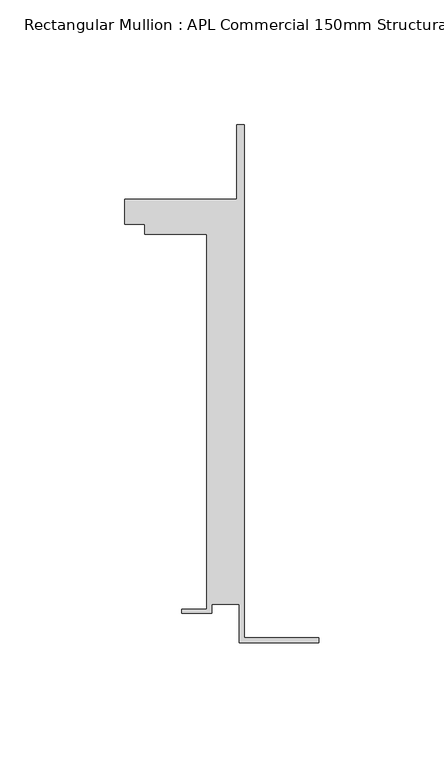
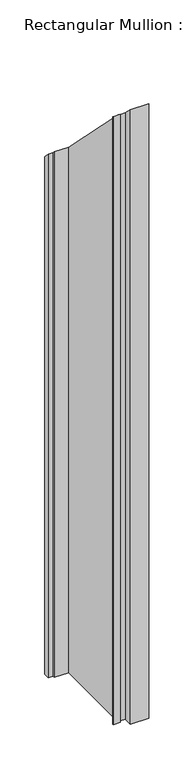
"""IFC4 building model written with IfcOpenShell, lengths in millimetres: member geometry, Rectangular Mullion : APL Commercial 150mm Structural Glaze SubSill."""

from ifc_helpers import new_model, si_unit, origin, place, context, project, spatial, faceted_brep, source, transform, mapped, element, save


def rectangular_mullion_apl_commercial_150mm_structural_glaze_ae94d605(model_context):
    return source(origin(), model_context, "Body", "Brep", [
        faceted_brep([(-32.0, -41.25, -1088.6118488), (-32.0, -25.75, -1088.6118488), (-43.0, -25.75, -1088.6118488), (-43.0, -29.25, -1088.6118488), (-55.0, -29.25, -1088.6118488), (-55.0, -27.75, -1088.6118488), (-45.0, -27.75, -1088.6118488), (-45.0, 122.75, -1088.6118488), (-70.0000284, 122.75, -1088.6118488), (-70.0000284, 126.75, -1088.6118488), (-78.0000284, 126.75, -1088.6118488), (-78.0000284, 136.75, -1088.6118488), (-33.0000284, 136.75, -1088.6118488), (-33.0000284, 166.75, -1088.6118488), (-30.0, 166.75, -1088.6118488), (-30.0, -39.25, -1088.6118488), (0.0, -39.25, -1088.6118488), (0.0, -41.25, -1088.6118488), (0.0, -41.25, 41.25), (-32.0, -41.25, 41.25), (0.0, -39.25, 39.25), (-30.0, -39.25, 39.25), (-30.0, 166.75, -166.75), (-33.0000284, 166.75, -166.75), (-33.0000284, 136.75, -136.75), (-78.0000284, 136.75, -136.75), (-78.0000284, 126.75, -126.75), (-70.0000284, 126.75, -126.75), (-70.0000284, 122.75, -122.75), (-45.0, 122.75, -122.75), (-45.0, -27.75, 27.75), (-55.0, -27.75, 27.75), (-55.0, -29.25, 29.25), (-43.0, -29.25, 29.25), (-43.0, -25.75, 25.75), (-32.0, -25.75, 25.75)], [[[0, 1, 2, 3, 4, 5, 6, 7, 8, 9, 10, 11, 12, 13, 14, 15, 16, 17]], [[18, 19, 0, 17]], [[20, 18, 17, 16]], [[21, 20, 16, 15]], [[22, 21, 15, 14]], [[23, 22, 14, 13]], [[24, 23, 13, 12]], [[25, 24, 12, 11]], [[26, 25, 11, 10]], [[27, 26, 10, 9]], [[28, 27, 9, 8]], [[29, 28, 8, 7]], [[30, 29, 7, 6]], [[31, 30, 6, 5]], [[32, 31, 5, 4]], [[33, 32, 4, 3]], [[34, 33, 3, 2]], [[35, 34, 2, 1]], [[19, 35, 1, 0]], [[19, 18, 20, 21, 22, 23, 24, 25, 26, 27, 28, 29, 30, 31, 32, 33, 34, 35]]]),
    ])


if __name__ == "__main__":
    model = new_model("IFC4")
    model_context = context("Model", 3, world=origin())
    ifc_project = project(units=[si_unit("LENGTHUNIT", "METRE", prefix="MILLI")], contexts=[model_context])
    site = spatial("IfcSite", under=ifc_project)
    building = spatial("IfcBuilding", under=site)
    placement = place(None, origin())
    rectangular_mullion_apl_commercial_150mm_structural_glaze_shape = rectangular_mullion_apl_commercial_150mm_structural_glaze_ae94d605(model_context)
    element("IfcMember", 1, ObjectType="Rectangular Mullion : APL Commercial 150mm Structural Glaze SubSill", at=placement, inside=building, context=model_context, shape_type="MappedRepresentation", body=[
        mapped(rectangular_mullion_apl_commercial_150mm_structural_glaze_shape, transform((0.0, 0.0, 0.0), x_axis=(1.0, 0.0, 0.0), y_axis=(0.0, 1.0, 0.0), z_axis=(0.0, 0.0, 1.0))),
    ])
    save(model, "model.ifc")
